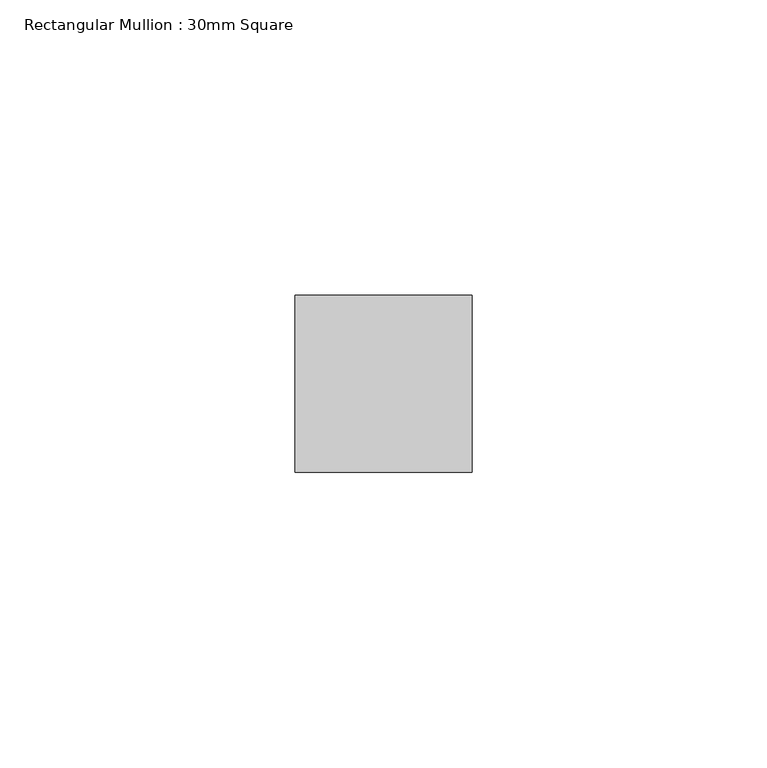
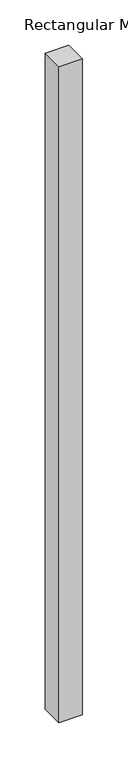
"""IFC4 building model written with IfcOpenShell, lengths in millimetres: member geometry, Rectangular Mullion : 30mm Square."""

import ifcopenshell
import ifcopenshell.guid

model = None  # the IFC model being written
_history = None  # IfcOwnerHistory: only IFC2X3 demands one
_inside = {}  # id of a spatial element -> (the spatial element, [elements in it])
_under = {}  # id of a project, library or spatial element -> (it, [spatial elements below it])
_declared = {}  # id of a project -> (the project, [libraries it declares])
_typed = {}  # id of a type object -> (the type object, [elements of that type])
_made_of = {}  # id of a material, layer set ... -> (it, [elements and type objects made of it])


def new_model(schema):
    """Start an empty IFC model of exactly this schema.

    Asked for "IFC4X3", IfcOpenShell would pick the latest addendum, in which some entities
    have other attributes; the version numbers below select the first issue.
    IFC2X3 requires an IfcOwnerHistory on every rooted entity: one is made here for all.
    """
    global model, _history
    if schema == "IFC4X3":
        model = ifcopenshell.file(schema_version=(4, 3, 0, 0))
    else:
        model = ifcopenshell.file(schema=schema)
    _inside.clear()
    _under.clear()
    _declared.clear()
    _typed.clear()
    _made_of.clear()
    _history = None
    if model.schema == "IFC2X3":
        org = make("IfcOrganization", Name="unknown")
        user = make(
            "IfcPersonAndOrganization",
            ThePerson=make("IfcPerson", FamilyName="unknown"),
            TheOrganization=org,
        )
        app = make(
            "IfcApplication",
            ApplicationDeveloper=org,
            Version="unknown",
            ApplicationFullName="unknown",
            ApplicationIdentifier="unknown",
        )
        _history = make(
            "IfcOwnerHistory",
            OwningUser=user,
            OwningApplication=app,
            ChangeAction="ADDED",
            CreationDate=0,
        )
    return model


def make(cls, **values):
    """One entity of the class cls with the attributes given. An attribute that is None is left unset."""
    return model.create_entity(
        cls, **{name: value for name, value in values.items() if value is not None}
    )


def rooted(cls, **values):
    """An entity with a GlobalId (a new one), such as an element, a storey or a relation."""
    return make(cls, GlobalId=ifcopenshell.guid.new(), OwnerHistory=_history, **values)


def si_unit(unit_type, name, prefix=None):
    """IfcSIUnit, for example si_unit("LENGTHUNIT", "METRE", prefix="MILLI")."""
    return make("IfcSIUnit", UnitType=unit_type, Prefix=prefix, Name=name)


def assignment(units):
    """IfcUnitAssignment: the units of a project."""
    return None if units is None else make("IfcUnitAssignment", Units=units)


def point(xyz):
    """IfcCartesianPoint."""
    return None if xyz is None else make("IfcCartesianPoint", Coordinates=xyz)


def direction(xyz):
    """IfcDirection."""
    return None if xyz is None else make("IfcDirection", DirectionRatios=xyz)


def frame(location, z_axis=None, x_axis=None):
    """IfcAxis2Placement3D, a coordinate frame: its origin and axes. An axis left out is left unset."""
    return make(
        "IfcAxis2Placement3D",
        Location=point(location),
        Axis=direction(z_axis),
        RefDirection=direction(x_axis),
    )


def origin():
    """The frame at (0, 0, 0) with its axes left unset."""
    return frame((0.0, 0.0, 0.0))


def place(relative_to, where):
    """IfcLocalPlacement: puts the frame where relative to a parent placement (None: the world)."""
    return make(
        "IfcLocalPlacement", PlacementRelTo=relative_to, RelativePlacement=where
    )


def context(
    kind, dimensions, precision=None, world=None, true_north=None, identifier=None
):
    """IfcGeometricRepresentationContext, for example the 3D "Model" context."""
    return make(
        "IfcGeometricRepresentationContext",
        ContextIdentifier=identifier,
        ContextType=kind,
        CoordinateSpaceDimension=dimensions,
        Precision=precision,
        WorldCoordinateSystem=world,
        TrueNorth=true_north,
    )


def project(units=None, contexts=None):
    """IfcProject with its units and contexts."""
    return rooted(
        "IfcProject",
        Name="project",
        RepresentationContexts=contexts,
        UnitsInContext=assignment(units),
    )


def spatial(cls, under=None, at=None, **own):
    """A site, building, storey or space (cls), placed at a placement, below another one or the project."""
    s = rooted(cls, ObjectPlacement=at, **own)
    if under is not None:
        _under.setdefault(under.id(), (under, []))[1].append(s)
    return s


def polyline(points):
    """IfcPolyline through the points."""
    return make("IfcPolyline", Points=[point(p) for p in points])


def outline(outer, holes=None, kind="AREA"):
    """IfcArbitraryClosedProfileDef: a profile drawn as a closed curve; with holes, ...WithVoids."""
    if holes is None:
        return make("IfcArbitraryClosedProfileDef", ProfileType=kind, OuterCurve=outer)
    return make(
        "IfcArbitraryProfileDefWithVoids",
        ProfileType=kind,
        OuterCurve=outer,
        InnerCurves=holes,
    )


def extrude(swept, where, along, depth):
    """IfcExtrudedAreaSolid: the profile swept, set in the frame where, extruded along a direction by depth."""
    return make(
        "IfcExtrudedAreaSolid",
        SweptArea=swept,
        Position=where,
        ExtrudedDirection=direction(along),
        Depth=depth,
    )


def shape(context_of_items, identifier, shape_type, items):
    """IfcShapeRepresentation: the items that make up one representation, for example the "Body"."""
    return make(
        "IfcShapeRepresentation",
        ContextOfItems=context_of_items,
        RepresentationIdentifier=identifier,
        RepresentationType=shape_type,
        Items=items,
    )


def source(mapping_origin, context_of_items, identifier, shape_type, items):
    """IfcRepresentationMap: a shape defined once, which mapped items show again and again."""
    return make(
        "IfcRepresentationMap",
        MappingOrigin=mapping_origin,
        MappedRepresentation=shape(context_of_items, identifier, shape_type, items),
    )


def transform(
    local_origin,
    x_axis=None,
    y_axis=None,
    z_axis=None,
    scale=None,
    scale2=None,
    scale3=None,
    uniform=True,
):
    """IfcCartesianTransformationOperator3D, or its non-uniform kind. x_axis, y_axis, z_axis: its Axis1, 2, 3."""
    if uniform:
        return make(
            "IfcCartesianTransformationOperator3D",
            Axis1=direction(x_axis),
            Axis2=direction(y_axis),
            LocalOrigin=point(local_origin),
            Scale=scale,
            Axis3=direction(z_axis),
        )
    return make(
        "IfcCartesianTransformationOperator3DnonUniform",
        Axis1=direction(x_axis),
        Axis2=direction(y_axis),
        LocalOrigin=point(local_origin),
        Scale=scale,
        Axis3=direction(z_axis),
        Scale2=scale2,
        Scale3=scale3,
    )


def mapped(mapping_source, mapping_target):
    """IfcMappedItem: shows the shape of a source again, moved by a transform."""
    return make(
        "IfcMappedItem", MappingSource=mapping_source, MappingTarget=mapping_target
    )


def made_of(thing, what):
    """Note that an element or type object is made of a material, layer set ...; save() writes the relation."""
    if what is not None:
        _made_of.setdefault(what.id(), (what, []))[1].append(thing)
    return thing


def element(
    cls,
    number,
    at=None,
    inside=None,
    cuts=None,
    type_object=None,
    material=None,
    context=None,
    identifier="Body",
    shape_type=None,
    held_by="IfcProductDefinitionShape",
    body=None,
    shapes=None,
    **own,
):
    """One element of the class cls, such as IfcWall. Its Tag is "e" and its number.

    at: its placement. inside: the storey or other place that contains it. cuts: it is an
    opening in that element (IfcRelVoidsElement). A single representation is given by context,
    identifier, shape_type and body (its items); several are given by shapes. held_by: the class
    of the entity that holds the representations. save() writes the other relations.
    """
    e = rooted(cls, Tag="e%d" % number, ObjectPlacement=at, **own)
    if body is not None:
        shapes = [shape(context, identifier, shape_type, body)]
    if shapes is not None:
        e.Representation = make(held_by, Representations=shapes)
    if inside is not None:
        _inside.setdefault(inside.id(), (inside, []))[1].append(e)
    if cuts is not None:
        rooted(
            "IfcRelVoidsElement", RelatingBuildingElement=cuts, RelatedOpeningElement=e
        )
    if type_object is not None:
        _typed.setdefault(type_object.id(), (type_object, []))[1].append(e)
    return made_of(e, material)


def aggregate(whole, parts):
    """IfcRelAggregates: a whole, such as a stair, and the parts it consists of."""
    return rooted("IfcRelAggregates", RelatingObject=whole, RelatedObjects=parts)


def save(model, path):
    """Write the relations noted so far, then the file.

    IfcRelAggregates (storeys below a building ...), IfcRelContainedInSpatialStructure (elements
    in a storey), IfcRelDefinesByType, IfcRelAssociatesMaterial and IfcRelDeclares: one each for
    every whole, place, type object, material and project.
    """
    for whole, parts in _under.values():
        aggregate(whole, parts)
    for where, things in _inside.values():
        rooted(
            "IfcRelContainedInSpatialStructure",
            RelatedElements=things,
            RelatingStructure=where,
        )
    for kind, things in _typed.values():
        rooted("IfcRelDefinesByType", RelatedObjects=things, RelatingType=kind)
    for what, things in _made_of.values():
        rooted("IfcRelAssociatesMaterial", RelatedObjects=things, RelatingMaterial=what)
    for by, libraries in _declared.values():
        rooted("IfcRelDeclares", RelatingContext=by, RelatedDefinitions=libraries)
    model.write(path)


def rectangular_mullion_30mm_square_66dba5c9(model_context):
    return source(origin(), model_context, "Body", "SweptSolid", [
        extrude(outline(polyline([(0.0, 15.0), (0.0, -15.0), (-30.0, -15.0), (-30.0, 15.0), (0.0, 15.0)])), frame((0.0, 0.0, -883.6234061), z_axis=(0.0, 0.0, 1.0), x_axis=(1.0, 0.0, 0.0)), (0.0, 0.0, 1.0), 883.6234061),
    ])


if __name__ == "__main__":
    model = new_model("IFC4")
    model_context = context("Model", 3, world=origin())
    ifc_project = project(units=[si_unit("LENGTHUNIT", "METRE", prefix="MILLI")], contexts=[model_context])
    site = spatial("IfcSite", under=ifc_project)
    building = spatial("IfcBuilding", under=site)
    placement = place(None, origin())
    rectangular_mullion_30mm_square_shape = rectangular_mullion_30mm_square_66dba5c9(model_context)
    element("IfcMember", 1, ObjectType="Rectangular Mullion : 30mm Square", at=placement, inside=building, context=model_context, shape_type="MappedRepresentation", body=[
        mapped(rectangular_mullion_30mm_square_shape, transform((0.0, 0.0, 0.0), x_axis=(1.0, 0.0, 0.0), y_axis=(0.0, 1.0, 0.0), z_axis=(0.0, 0.0, 1.0))),
    ])
    save(model, "model.ifc")
